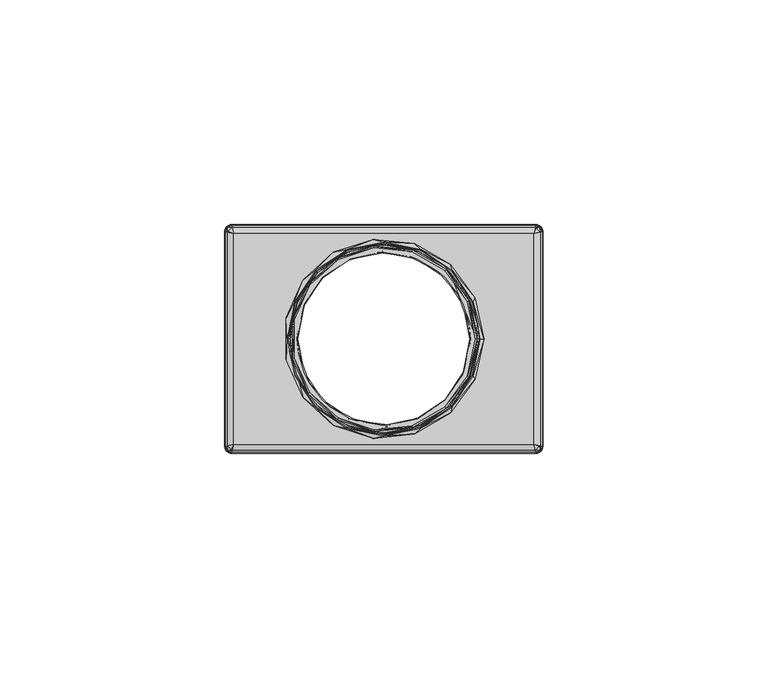
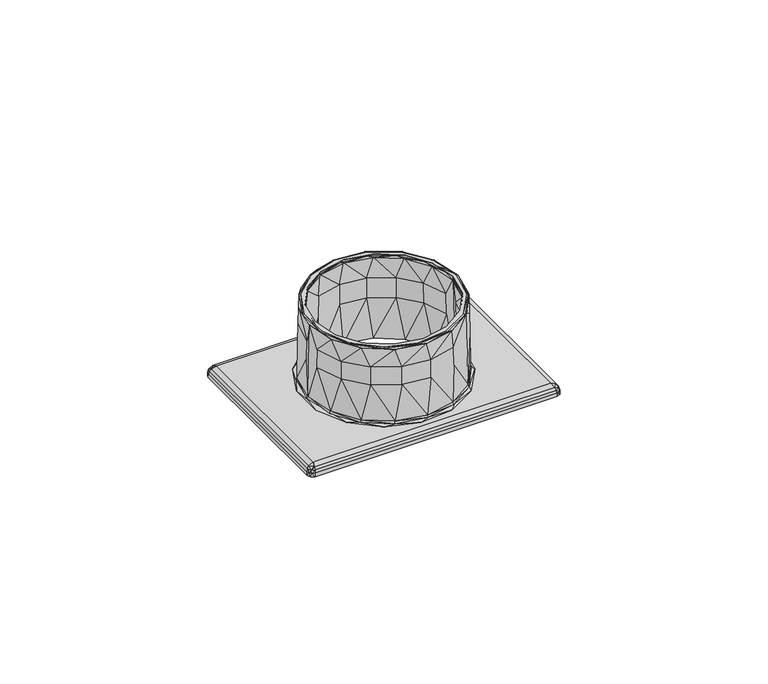
"""IFC4 building model written with IfcOpenShell, lengths in millimetres: furniture geometry."""

from ifc_helpers import new_model, si_unit, origin, place, context, project, spatial, triangles, source, transform, mapped, element, save


def furniture_ee4ef4bf(model_context):
    return source(origin(), model_context, "Body", "Tessellation", [
        triangles([(2654.9578311, 2641.467138, 765.1670305), (2654.9668421, 2641.467138, 765.5000044), (2654.7018147, 2644.5841353, 765.0710335), (2653.5008706, 2648.8411247, 765.5000044), (2652.3258696, 2651.1841321, 765.0710335), (2649.3248173, 2655.0931232, 765.5000044), (2647.7438092, 2656.495127, 765.0710335), (2643.0748355, 2659.2731369, 765.5000044), (2641.5648259, 2659.8151278, 765.0710335), (2635.700867, 2660.7431235, 765.5000044), (2634.6058756, 2660.7011384, 765.0710335), (2628.3248637, 2659.2801314, 765.5000044), (2627.7918294, 2659.0381404, 765.0710335), (2622.0698676, 2655.1071303, 765.5000044), (2622.0238675, 2655.0451246, 765.0710335), (2618.0688763, 2649.2521279, 765.0710335), (2622.0848376, 2655.0851295, 764.4999928), (2617.9108191, 2648.8451397, 764.4999928), (2616.4498618, 2642.4271267, 765.0710335), (2616.4318396, 2641.467138, 764.8329666), (2616.4238459, 2641.467138, 765.1670305), (2616.4148348, 2641.467138, 765.5000044), (2617.8878554, 2648.8571303, 765.5000044), (2616.4408507, 2641.467138, 764.4999928), (2628.3278432, 2659.2531345, 764.4999928), (2635.6908385, 2660.7171258, 764.4999928), (2643.0538338, 2659.2531345, 764.4999928), (2649.2968394, 2655.0851295, 764.4999928), (2653.4708579, 2648.8451397, 764.4999928), (2654.9408263, 2641.467138, 764.4999928), (2654.9498374, 2641.467138, 764.8329666), (2616.6798623, 2638.3501408, 765.0710335), (2617.8808064, 2634.0931332, 765.5000044), (2619.0558074, 2631.7501258, 765.0710335), (2622.0568596, 2627.8411347, 765.5000044), (2623.6378678, 2626.4391309, 765.0710335), (2628.3068415, 2623.6611391, 765.5000044), (2629.8168511, 2623.1191301, 765.0710335), (2635.68081, 2622.1911344, 765.5000044), (2636.775874, 2622.2331376, 765.0710335), (2643.0568133, 2623.6541265, 765.5000044), (2643.5898476, 2623.8961357, 765.0710335), (2649.3118094, 2627.8271276, 765.5000044), (2649.3578095, 2627.8891332, 765.0710335), (2653.3128733, 2633.6821299, 765.0710335), (2649.2968394, 2627.8491284, 764.4999928), (2653.4708579, 2634.0891363, 764.4999928), (2654.9318152, 2640.5071312, 765.0710335), (2653.4938216, 2634.0771276, 765.5000044), (2643.0538338, 2623.6811234, 764.4999928), (2635.6908385, 2622.2171321, 764.4999928), (2628.3278432, 2623.6811234, 764.4999928), (2622.0848376, 2627.8491284, 764.4999928), (2617.9108191, 2634.0891363, 764.4999928), (2601.6898615, 2666.9671259, 740.0000347), (2601.7178395, 2666.9391297, 741.0520054), (2669.6918154, 2666.9671259, 740.0000347), (2669.6638375, 2666.9391297, 741.0520054), (2654.3418076, 2633.1631391, 765.5000044), (2656.4598469, 2641.3941229, 765.3540104), (2656.1068162, 2641.467138, 765.5000044), (2654.6798684, 2649.881123, 765.3540104), (2654.3418076, 2649.771137, 765.5000044), (2649.6158606, 2656.8771349, 765.3540104), (2649.3518506, 2656.6391407, 765.5000044), (2642.1438603, 2661.2091379, 765.3540104), (2641.9998284, 2660.8841396, 765.5000044), (2633.5568118, 2662.1271233, 765.3540104), (2633.5568118, 2661.7711312, 765.5000044), (2625.3378367, 2659.4721255, 765.3540104), (2625.4828133, 2659.1481264, 765.5000044), (2618.9098134, 2653.7051265, 765.3540104), (2619.1738234, 2653.4671323, 765.5000044), (2615.3828484, 2645.8211237, 765.3540104), (2615.7208365, 2645.7121369, 765.5000044), (2615.3678057, 2637.1851319, 765.3540104), (2615.7208365, 2637.2221391, 765.5000044), (2618.8668654, 2629.2891386, 765.3540104), (2619.1738234, 2629.4671256, 765.5000044), (2625.2738145, 2623.4991396, 765.3540104), (2625.4828133, 2623.7861315, 765.5000044), (2633.4828337, 2620.8151282, 765.3540104), (2633.5568118, 2621.1631266, 765.5000044), (2642.0738064, 2621.7031373, 765.3540104), (2641.9998284, 2622.0501364, 765.5000044), (2649.5608494, 2626.0081252, 765.3540104), (2649.3518506, 2626.2951353, 765.5000044), (2654.6498557, 2632.9861332, 765.3540104), (2655.0148043, 2633.4631389, 765.0089733), (2656.6068583, 2641.467138, 765.0089733), (2655.0148043, 2649.4711371, 765.0089733), (2650.4808514, 2656.2571328, 765.0089733), (2643.6948558, 2660.7911402, 765.0089733), (2635.6908385, 2662.3831397, 765.0089733), (2627.6868212, 2660.7911402, 765.0089733), (2620.9008256, 2656.2571328, 765.0089733), (2616.3668727, 2649.4711371, 765.0089733), (2614.7748187, 2641.467138, 765.0089733), (2616.3668727, 2633.4631389, 765.0089733), (2620.9008256, 2626.6771251, 765.0089733), (2627.6868212, 2622.1431358, 765.0089733), (2635.6908385, 2620.5511364, 765.0089733), (2643.6948558, 2622.1431358, 765.0089733), (2650.4808514, 2626.6771251, 765.0089733), (2614.5918357, 2641.467138, 754.4960249), (2614.4078353, 2641.467138, 743.9830038), (2614.869871, 2638.0541378, 754.4960249), (2616.0278672, 2633.322141, 743.9830038), (2617.4718197, 2630.8251277, 754.4960249), (2620.6418297, 2626.4181293, 743.9830038), (2622.4898274, 2625.0081318, 754.4960249), (2627.5458415, 2621.8041304, 743.9830038), (2629.2578736, 2621.3721255, 754.4960249), (2635.6908385, 2620.1841348, 743.9830038), (2636.8788474, 2620.4011274, 754.4960249), (2643.8358355, 2621.8041304, 743.9830038), (2644.3418366, 2622.2231273, 754.4960249), (2650.7398472, 2626.4181293, 743.9830038), (2650.6588202, 2626.5961344, 754.4960249), (2654.9908232, 2632.9411323, 754.4960249), (2654.9068167, 2632.9781395, 759.7520267), (2650.5938532, 2626.6611377, 759.7520267), (2656.6728427, 2640.4211263, 759.7520267), (2656.7898413, 2641.467138, 754.4960249), (2656.7638255, 2640.4161302, 754.4960249), (2656.9738417, 2641.467138, 743.9830038), (2655.3538098, 2633.322141, 743.9830038), (2644.3048476, 2622.3071338, 759.7520267), (2636.8738331, 2620.4931275, 759.7520267), (2629.2858515, 2621.4601288, 759.7520267), (2622.5468733, 2625.0791303, 759.7520267), (2617.550812, 2630.8711278, 759.7520267), (2614.9598364, 2638.0681267, 759.7520267), (2656.511806, 2644.8801383, 754.4960249), (2655.3538098, 2649.612135, 743.9830038), (2653.9098572, 2652.1091302, 754.4960249), (2650.7398472, 2656.5161286, 743.9830038), (2648.8918496, 2657.9261261, 754.4960249), (2643.8358355, 2661.1301275, 743.9830038), (2642.1238761, 2661.5621324, 754.4960249), (2635.6908385, 2662.7501231, 743.9830038), (2634.5028296, 2662.5331305, 754.4960249), (2627.5458415, 2661.1301275, 743.9830038), (2627.0398404, 2660.7111305, 754.4960249), (2620.6418297, 2656.5161286, 743.9830038), (2620.7228568, 2656.3381235, 754.4960249), (2616.3908538, 2649.9931256, 754.4960249), (2616.4748603, 2649.9561366, 759.7520267), (2620.7878237, 2656.2731383, 759.7520267), (2614.7088343, 2642.5131316, 759.7520267), (2614.6178515, 2642.5181276, 754.4960249), (2616.0278672, 2649.612135, 743.9830038), (2627.0768294, 2660.627124, 759.7520267), (2634.5078438, 2662.4411303, 759.7520267), (2642.0958254, 2661.474129, 759.7520267), (2648.8348763, 2657.8551275, 759.7520267), (2653.830865, 2652.0631301, 759.7520267), (2656.4218405, 2644.8661311, 759.7520267), (2656.0468634, 2650.5301386, 742.9999969), (2655.6388215, 2649.6891289, 743.2930023), (2657.9738534, 2641.467138, 742.9999969), (2657.2668471, 2641.467138, 743.2930023), (2655.6098261, 2633.1761288, 743.2930023), (2650.9738446, 2656.6971314, 743.2930023), (2650.6008296, 2658.0261382, 742.9999969), (2643.9818295, 2661.3861257, 743.2930023), (2642.5768281, 2662.6591403, 742.9999969), (2635.7278275, 2663.0431285, 743.2930023), (2633.3618382, 2663.62814, 742.9999969), (2627.4688113, 2661.4151392, 743.2930023), (2624.5498761, 2660.7641251, 742.9999969), (2620.4608088, 2656.7501259, 743.2930023), (2617.6638138, 2654.5641402, 742.9999969), (2615.7718508, 2649.758129, 743.2930023), (2613.8948578, 2646.1001401, 742.9999969), (2614.1158473, 2641.5431327, 743.2930023), (2613.8948578, 2636.8341359, 742.9999969), (2617.6638138, 2628.3701358, 742.9999969), (2624.5498761, 2622.1701327, 742.9999969), (2620.4078324, 2626.2371265, 743.2930023), (2615.7428555, 2633.245129, 743.2930023), (2627.3998475, 2621.5481322, 743.2930023), (2633.3618382, 2619.306136, 742.9999969), (2635.6538495, 2619.8911294, 743.2930023), (2642.5768281, 2620.2751358, 742.9999969), (2643.9128657, 2621.5191369, 743.2930023), (2650.6008296, 2624.9081379, 742.9999969), (2650.9208682, 2626.1841319, 743.2930023), (2656.0468634, 2632.4041374, 742.9999969), (2600.96883, 2666.7381246, 741.0669754), (2601.7608601, 2666.7681373, 741.8109707), (2600.7378121, 2666.3031402, 741.8289928), (2601.8718272, 2666.3251229, 742.4429815), (2601.0528365, 2665.4531376, 742.6080151), (2602.217809, 2664.9401239, 742.9999969), (2600.8328644, 2665.2861238, 742.4429815), (2600.3898682, 2665.3971272, 741.8109707), (2600.4198083, 2666.1891392, 741.0669754), (2600.2188758, 2665.4401297, 741.0520054), (2669.163868, 2617.994134, 742.9999969), (2670.5488125, 2617.6481341, 742.4429815), (2669.163868, 2664.9401239, 742.9999969), (2670.5488125, 2665.2861238, 742.4429815), (2670.9918088, 2665.3971272, 741.8109707), (2670.9918088, 2617.5371307, 741.8109707), (2671.1628739, 2665.4401297, 741.0520054), (2671.1628739, 2617.4941282, 741.0520054), (2602.217809, 2617.994134, 742.9999969), (2669.6638375, 2615.9951281, 741.0520054), (2670.412847, 2616.1961333, 741.0669754), (2669.6208169, 2616.1661388, 741.8109707), (2670.6438649, 2616.6311358, 741.8289928), (2669.5098498, 2616.609135, 742.4429815), (2670.3288405, 2617.4811384, 742.6080151), (2670.9618687, 2616.7451368, 741.0669754), (2653.7018757, 2648.9411368, 764.4999928), (2655.190811, 2641.467138, 764.4999928), (2653.7018757, 2633.9931393, 764.4999928), (2649.4728461, 2627.6721407, 764.4999928), (2643.1488135, 2623.4501237, 764.4999928), (2635.6908385, 2621.9671291, 764.4999928), (2628.2328635, 2623.4501237, 764.4999928), (2621.9088309, 2627.6721407, 764.4999928), (2617.6798739, 2633.9931393, 764.4999928), (2616.190866, 2641.467138, 764.4999928), (2617.6798739, 2648.9411368, 764.4999928), (2621.9088309, 2655.2621354, 764.4999928), (2628.2328635, 2659.4841342, 764.4999928), (2635.6908385, 2660.9671287, 764.4999928), (2643.1488135, 2659.4841342, 764.4999928), (2649.4728461, 2655.2621354, 764.4999928), (2617.2848399, 2633.8301405, 740.0000347), (2600.1908251, 2617.4661321, 740.0000347), (2615.7628398, 2641.467138, 740.0000347), (2600.1908251, 2665.4681258, 740.0000347), (2617.2848399, 2649.1041355, 740.0000347), (2621.6058697, 2655.5641337, 740.0000347), (2628.0688473, 2659.8791319, 740.0000347), (2635.6908385, 2661.3951368, 740.0000347), (2643.3128297, 2659.8791319, 740.0000347), (2649.7758073, 2655.5641337, 740.0000347), (2671.1908518, 2665.4681258, 740.0000347), (2654.0968371, 2649.1041355, 740.0000347), (2655.6188372, 2641.467138, 740.0000347), (2671.1908518, 2617.4661321, 740.0000347), (2654.0968371, 2633.8301405, 740.0000347), (2649.7758073, 2627.3701242, 740.0000347), (2669.6918154, 2615.967132, 740.0000347), (2643.3128297, 2623.055126, 740.0000347), (2635.6908385, 2621.5391393, 740.0000347), (2601.6898615, 2615.967132, 740.0000347), (2628.0688473, 2623.055126, 740.0000347), (2621.6058697, 2627.3701242, 740.0000347), (2670.7518525, 2666.5281265, 740.0000347), (2670.7518525, 2616.4061314, 740.0000347), (2600.6298245, 2616.4061314, 740.0000347), (2600.6298245, 2666.5281265, 740.0000347), (2669.6208169, 2666.7681373, 741.8109707), (2669.5098498, 2666.3251229, 742.4429815), (2670.9618687, 2666.1891392, 741.0669754), (2670.5268662, 2666.4201389, 741.8289928), (2669.6768454, 2666.1051327, 742.6080151), (2670.412847, 2666.7381246, 741.0669754), (2601.7178395, 2615.9951281, 741.0520054), (2600.96883, 2616.1961333, 741.0669754), (2600.4198083, 2616.7451368, 741.0669754), (2600.2188758, 2617.4941282, 741.0520054), (2600.3898682, 2617.5371307, 741.8109707), (2600.8548108, 2616.5141371, 741.8289928), (2600.8328644, 2617.6481341, 742.4429815), (2601.7048316, 2616.8291252, 742.6080151), (2601.8718272, 2616.609135, 742.4429815), (2601.7608601, 2616.1661388, 741.8109707), (2655.4048241, 2641.467138, 752.2500137), (2655.0398755, 2644.6391283, 758.3750032), (2652.6208371, 2651.3561238, 758.3750032), (2647.9578223, 2656.7621347, 758.3750032), (2641.6688166, 2660.1401261, 758.3750032), (2634.5868361, 2661.0431234, 758.3750032), (2627.651867, 2659.3501308, 758.3750032), (2621.7818764, 2655.2861346, 758.3750032), (2617.755814, 2649.3901282, 758.3750032), (2617.6578549, 2649.4331307, 752.2500137), (2621.7058636, 2655.3611301, 752.2500137), (2616.0018513, 2642.4491275, 752.2500137), (2615.9768529, 2641.467138, 752.2500137), (2616.1078768, 2642.4441314, 758.3750032), (2627.607829, 2659.447127, 752.2500137), (2634.5808045, 2661.1501299, 752.2500137), (2641.7018088, 2660.2421366, 752.2500137), (2648.024824, 2656.846123, 752.2500137), (2652.7138547, 2651.4101358, 752.2500137), (2655.1448109, 2644.656133, 752.2500137), (2616.3418742, 2638.2951296, 758.3750032), (2618.7608399, 2631.5781341, 758.3750032), (2623.4238547, 2626.1721232, 758.3750032), (2629.7128604, 2622.7941317, 758.3750032), (2636.7948409, 2621.8911345, 758.3750032), (2643.72981, 2623.5841271, 758.3750032), (2649.5998732, 2627.6481232, 758.3750032), (2653.6258629, 2633.5441296, 758.3750032), (2653.7238221, 2633.5011272, 752.2500137), (2649.6758134, 2627.5731278, 752.2500137), (2655.3798257, 2640.4851304, 752.2500137), (2655.2738728, 2640.4901264, 758.3750032), (2643.773848, 2623.4871308, 752.2500137), (2636.8008725, 2621.784128, 752.2500137), (2629.6798682, 2622.6921394, 752.2500137), (2623.356853, 2626.0881349, 752.2500137), (2618.6678223, 2631.5241403, 752.2500137), (2616.2368661, 2638.2781248, 752.2500137)], [[3, 1, 2], [4, 3, 2], [3, 4, 5], [6, 5, 4], [5, 6, 7], [8, 7, 6], [7, 8, 9], [10, 9, 8], [9, 10, 11], [12, 11, 10], [11, 12, 13], [14, 13, 12], [13, 14, 15], [16, 15, 14], [17, 15, 16], [17, 16, 18], [19, 18, 16], [18, 19, 20], [20, 19, 21], [22, 21, 19], [22, 19, 23], [16, 23, 19], [23, 16, 14], [20, 24, 18], [15, 17, 13], [25, 13, 17], [13, 25, 11], [26, 11, 25], [11, 26, 9], [27, 9, 26], [9, 27, 7], [28, 7, 27], [7, 28, 5], [29, 5, 28], [5, 29, 3], [30, 3, 29], [3, 30, 31], [31, 1, 3], [32, 21, 22], [33, 32, 22], [32, 33, 34], [35, 34, 33], [34, 35, 36], [37, 36, 35], [36, 37, 38], [39, 38, 37], [38, 39, 40], [41, 40, 39], [40, 41, 42], [43, 42, 41], [42, 43, 44], [45, 44, 43], [46, 44, 45], [46, 45, 47], [48, 47, 45], [47, 48, 31], [31, 48, 1], [2, 1, 48], [2, 48, 49], [45, 49, 48], [49, 45, 43], [31, 30, 47], [44, 46, 42], [50, 42, 46], [42, 50, 40], [51, 40, 50], [40, 51, 38], [52, 38, 51], [38, 52, 36], [53, 36, 52], [36, 53, 34], [54, 34, 53], [34, 54, 32], [24, 32, 54], [32, 24, 20], [20, 21, 32], [55, 56, 57], [57, 56, 58], [59, 60, 61], [62, 61, 60], [61, 62, 63], [64, 63, 62], [63, 64, 65], [66, 65, 64], [65, 66, 67], [68, 67, 66], [67, 68, 69], [70, 69, 68], [69, 70, 71], [72, 71, 70], [71, 72, 73], [74, 73, 72], [73, 74, 75], [76, 75, 74], [75, 76, 77], [78, 77, 76], [77, 78, 79], [80, 79, 78], [79, 80, 81], [82, 81, 80], [81, 82, 83], [84, 83, 82], [83, 84, 85], [86, 85, 84], [85, 86, 87], [88, 87, 86], [87, 88, 59], [60, 59, 88], [89, 90, 60], [60, 90, 91], [60, 91, 92], [93, 64, 92], [62, 92, 64], [92, 62, 60], [64, 93, 66], [94, 66, 93], [66, 94, 68], [95, 68, 94], [68, 95, 70], [96, 70, 95], [70, 96, 72], [97, 72, 96], [72, 97, 74], [98, 74, 97], [74, 98, 76], [99, 76, 98], [76, 99, 78], [100, 78, 99], [78, 100, 80], [101, 80, 100], [80, 101, 82], [102, 82, 101], [82, 102, 84], [103, 84, 102], [84, 103, 86], [104, 86, 103], [86, 104, 88], [89, 88, 104], [88, 89, 60], [107, 105, 106], [107, 106, 108], [107, 108, 109], [109, 108, 110], [109, 110, 111], [111, 110, 112], [111, 112, 113], [113, 112, 114], [113, 114, 115], [115, 114, 116], [115, 116, 117], [117, 116, 118], [117, 118, 119], [120, 119, 118], [119, 120, 121], [119, 121, 122], [104, 122, 121], [104, 121, 89], [89, 121, 123], [89, 123, 90], [90, 123, 124], [124, 123, 125], [126, 124, 125], [126, 125, 127], [127, 125, 120], [127, 120, 118], [122, 104, 128], [128, 104, 103], [128, 103, 129], [129, 103, 102], [129, 102, 130], [130, 102, 101], [130, 101, 131], [131, 101, 100], [131, 100, 132], [132, 100, 99], [132, 99, 133], [133, 99, 98], [105, 133, 98], [133, 105, 107], [132, 133, 107], [132, 107, 109], [121, 120, 125], [121, 125, 123], [117, 119, 122], [117, 122, 128], [115, 117, 128], [115, 128, 129], [113, 115, 129], [113, 129, 130], [132, 109, 111], [132, 111, 131], [131, 111, 113], [131, 113, 130], [134, 124, 126], [134, 126, 135], [134, 135, 136], [136, 135, 137], [136, 137, 138], [138, 137, 139], [138, 139, 140], [140, 139, 141], [140, 141, 142], [142, 141, 143], [142, 143, 144], [144, 143, 145], [144, 145, 146], [147, 146, 145], [146, 147, 148], [146, 148, 149], [96, 149, 148], [96, 148, 97], [97, 148, 150], [97, 150, 98], [98, 150, 105], [105, 150, 151], [106, 105, 151], [106, 151, 152], [152, 151, 147], [152, 147, 145], [149, 96, 153], [153, 96, 95], [153, 95, 154], [154, 95, 94], [154, 94, 155], [155, 94, 93], [155, 93, 156], [156, 93, 92], [156, 92, 157], [157, 92, 91], [157, 91, 158], [158, 91, 90], [124, 158, 90], [158, 124, 134], [157, 158, 134], [157, 134, 136], [148, 147, 151], [148, 151, 150], [144, 146, 149], [144, 149, 153], [142, 144, 153], [142, 153, 154], [140, 142, 154], [140, 154, 155], [157, 136, 138], [157, 138, 156], [156, 138, 140], [156, 140, 155], [23, 75, 22], [77, 22, 75], [22, 77, 33], [79, 33, 77], [33, 79, 35], [81, 35, 79], [35, 81, 37], [83, 37, 81], [37, 83, 39], [85, 39, 83], [39, 85, 41], [87, 41, 85], [41, 87, 43], [59, 43, 87], [43, 59, 49], [61, 49, 59], [49, 61, 2], [4, 2, 61], [63, 4, 61], [4, 63, 6], [65, 6, 63], [6, 65, 8], [67, 8, 65], [8, 67, 10], [69, 10, 67], [10, 69, 12], [71, 12, 69], [12, 71, 14], [73, 14, 71], [14, 73, 23], [75, 23, 73], [159, 160, 161], [161, 160, 162], [161, 162, 163], [163, 162, 127], [163, 127, 118], [160, 159, 164], [165, 164, 159], [164, 165, 166], [167, 166, 165], [166, 167, 168], [169, 168, 167], [168, 169, 170], [171, 170, 169], [170, 171, 172], [173, 172, 171], [172, 173, 174], [175, 174, 173], [174, 175, 176], [177, 176, 175], [176, 177, 178], [179, 180, 178], [181, 178, 180], [178, 181, 176], [176, 181, 106], [176, 106, 152], [180, 179, 182], [183, 182, 179], [182, 183, 184], [185, 184, 183], [184, 185, 186], [187, 186, 185], [186, 187, 188], [189, 188, 187], [188, 189, 163], [161, 163, 189], [127, 162, 126], [126, 162, 160], [126, 160, 135], [164, 135, 160], [135, 164, 137], [166, 137, 164], [137, 166, 139], [168, 139, 166], [139, 168, 141], [170, 141, 168], [141, 170, 143], [172, 143, 170], [143, 172, 145], [174, 145, 172], [145, 174, 152], [176, 152, 174], [163, 118, 188], [188, 118, 116], [188, 116, 186], [186, 116, 114], [186, 114, 184], [184, 114, 112], [184, 112, 182], [182, 112, 110], [182, 110, 180], [180, 110, 108], [180, 108, 181], [181, 108, 106], [56, 190, 191], [191, 190, 192], [191, 192, 193], [193, 192, 194], [193, 194, 195], [195, 194, 196], [196, 194, 192], [196, 192, 197], [197, 192, 198], [197, 198, 199], [190, 198, 192], [202, 200, 201], [203, 202, 201], [204, 203, 201], [204, 201, 205], [206, 204, 205], [206, 205, 207], [200, 183, 208], [208, 183, 179], [208, 179, 178], [202, 161, 200], [200, 161, 189], [200, 189, 187], [195, 169, 202], [202, 169, 167], [202, 167, 165], [208, 175, 195], [195, 175, 173], [195, 173, 171], [200, 187, 185], [200, 185, 183], [208, 178, 177], [208, 177, 175], [195, 171, 169], [165, 159, 202], [202, 159, 161], [209, 210, 211], [211, 210, 212], [211, 212, 213], [213, 212, 214], [213, 214, 200], [200, 214, 201], [201, 214, 212], [201, 212, 205], [205, 212, 215], [205, 215, 207], [210, 215, 212], [216, 217, 30], [218, 30, 217], [30, 218, 47], [219, 47, 218], [47, 219, 46], [220, 46, 219], [46, 220, 50], [221, 50, 220], [50, 221, 51], [52, 51, 221], [222, 52, 221], [53, 52, 222], [223, 53, 222], [54, 53, 223], [224, 54, 223], [24, 54, 224], [225, 24, 224], [226, 24, 225], [24, 226, 18], [227, 18, 226], [18, 227, 17], [228, 17, 227], [17, 228, 25], [229, 25, 228], [25, 229, 26], [27, 26, 229], [230, 27, 229], [28, 27, 230], [231, 28, 230], [29, 28, 231], [216, 29, 231], [30, 29, 216], [234, 232, 233], [235, 234, 233], [234, 235, 236], [236, 235, 237], [237, 235, 55], [238, 237, 55], [239, 238, 55], [57, 239, 55], [239, 57, 240], [240, 57, 241], [241, 57, 242], [241, 242, 243], [244, 243, 242], [245, 244, 242], [244, 245, 246], [246, 245, 247], [247, 245, 248], [249, 247, 248], [250, 249, 248], [251, 250, 248], [250, 251, 252], [252, 251, 253], [253, 251, 233], [253, 233, 232], [57, 254, 242], [245, 255, 248], [251, 256, 233], [235, 257, 55], [56, 191, 58], [58, 191, 258], [258, 191, 259], [259, 191, 193], [259, 193, 195], [195, 202, 259], [206, 260, 204], [204, 260, 261], [204, 261, 203], [203, 261, 262], [203, 262, 202], [202, 262, 259], [259, 262, 261], [259, 261, 258], [258, 261, 263], [258, 263, 58], [260, 263, 261], [251, 264, 265], [251, 265, 256], [256, 265, 266], [256, 266, 233], [233, 266, 267], [267, 266, 268], [268, 266, 269], [268, 269, 270], [270, 269, 271], [270, 271, 208], [208, 271, 272], [272, 271, 269], [272, 269, 273], [273, 269, 265], [273, 265, 264], [266, 265, 269], [199, 267, 197], [197, 267, 268], [197, 268, 196], [196, 268, 270], [196, 270, 208], [208, 195, 196], [233, 267, 199], [233, 199, 235], [235, 199, 198], [235, 198, 257], [257, 198, 190], [257, 190, 55], [55, 190, 56], [57, 58, 263], [57, 263, 254], [254, 263, 260], [254, 260, 242], [242, 260, 206], [206, 207, 245], [242, 206, 245], [264, 209, 273], [273, 209, 211], [273, 211, 272], [272, 211, 213], [272, 213, 200], [200, 208, 272], [248, 209, 264], [248, 264, 251], [245, 207, 215], [245, 215, 255], [255, 215, 210], [255, 210, 248], [248, 210, 209], [274, 217, 275], [275, 217, 216], [275, 216, 276], [276, 216, 231], [276, 231, 277], [277, 231, 230], [277, 230, 278], [278, 230, 229], [278, 229, 279], [279, 229, 228], [279, 228, 280], [280, 228, 227], [280, 227, 281], [282, 281, 227], [281, 282, 283], [281, 283, 284], [237, 284, 283], [237, 283, 236], [236, 283, 285], [236, 285, 234], [234, 285, 286], [286, 285, 287], [286, 287, 225], [225, 287, 226], [226, 287, 282], [226, 282, 227], [284, 237, 288], [288, 237, 238], [288, 238, 289], [289, 238, 239], [289, 239, 290], [290, 239, 240], [290, 240, 291], [291, 240, 241], [291, 241, 292], [292, 241, 243], [292, 243, 293], [293, 243, 244], [293, 244, 274], [293, 274, 275], [282, 287, 285], [282, 285, 283], [280, 281, 284], [280, 284, 288], [279, 280, 288], [279, 288, 289], [278, 279, 289], [278, 289, 290], [277, 278, 290], [277, 290, 291], [293, 275, 276], [293, 276, 292], [292, 276, 277], [292, 277, 291], [286, 225, 294], [294, 225, 224], [294, 224, 295], [295, 224, 223], [295, 223, 296], [296, 223, 222], [296, 222, 297], [297, 222, 221], [297, 221, 298], [298, 221, 220], [298, 220, 299], [299, 220, 219], [299, 219, 300], [301, 300, 219], [300, 301, 302], [300, 302, 303], [247, 303, 302], [247, 302, 246], [246, 302, 304], [246, 304, 244], [244, 304, 274], [274, 304, 305], [274, 305, 217], [217, 305, 218], [218, 305, 301], [218, 301, 219], [303, 247, 306], [306, 247, 249], [306, 249, 307], [307, 249, 250], [307, 250, 308], [308, 250, 252], [308, 252, 309], [309, 252, 253], [309, 253, 310], [310, 253, 232], [310, 232, 311], [311, 232, 234], [311, 234, 286], [311, 286, 294], [301, 305, 304], [301, 304, 302], [299, 300, 303], [299, 303, 306], [298, 299, 306], [298, 306, 307], [297, 298, 307], [297, 307, 308], [296, 297, 308], [296, 308, 309], [311, 294, 295], [311, 295, 310], [310, 295, 296], [310, 296, 309]]),
    ])


if __name__ == "__main__":
    model = new_model("IFC4")
    model_context = context("Model", 3, world=origin())
    ifc_project = project(units=[si_unit("LENGTHUNIT", "METRE", prefix="MILLI")], contexts=[model_context])
    site = spatial("IfcSite", under=ifc_project)
    building = spatial("IfcBuilding", under=site)
    placement = place(None, origin())
    furniture_shape = furniture_ee4ef4bf(model_context)
    element("IfcFurniture", 1, at=placement, inside=building, context=model_context, shape_type="MappedRepresentation", body=[
        mapped(furniture_shape, transform((0.0, 0.0, 0.0), x_axis=(1.0, 0.0, 0.0), y_axis=(0.0, 1.0, 0.0), z_axis=(0.0, 0.0, 1.0))),
    ])
    save(model, "model.ifc")
